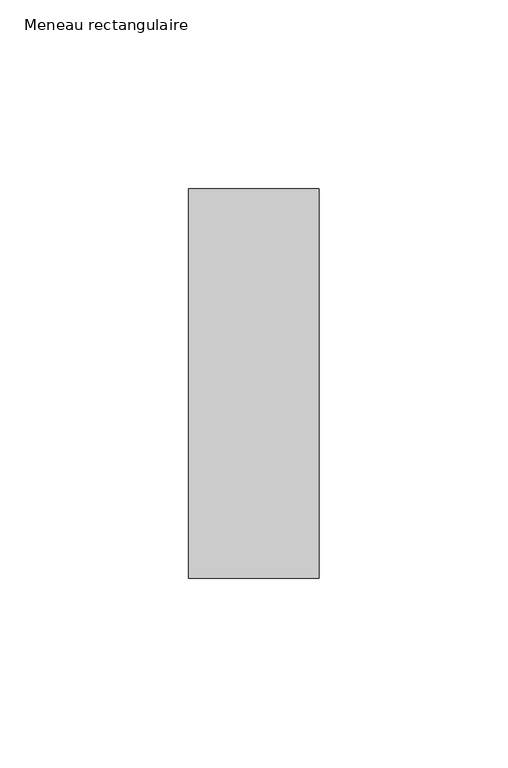
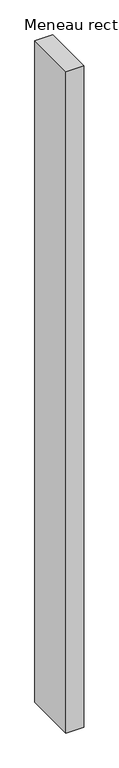
"""IFC4 building model written with IfcOpenShell, lengths in millimetres: member geometry, Meneau rectangulaire."""

from ifc_helpers import new_model, si_unit, frame, origin, place, context, project, spatial, polyline, outline, extrude, source, transform, mapped, element, save


def meneau_rectangulaire_0e6c0971(model_context):
    return source(origin(), model_context, "Body", "SweptSolid", [
        extrude(outline(polyline([(0.0, 51.5), (0.0, -51.5), (-34.5, -51.5), (-34.5, 51.5), (0.0, 51.5)])), frame((0.0, 0.0, -1341.6666669), z_axis=(0.0, 0.0, 1.0), x_axis=(1.0, 0.0, 0.0)), (0.0, 0.0, 1.0), 1341.6666669),
    ])


if __name__ == "__main__":
    model = new_model("IFC4")
    model_context = context("Model", 3, world=origin())
    ifc_project = project(units=[si_unit("LENGTHUNIT", "METRE", prefix="MILLI")], contexts=[model_context])
    site = spatial("IfcSite", under=ifc_project)
    building = spatial("IfcBuilding", under=site)
    placement = place(None, origin())
    meneau_rectangulaire_shape = meneau_rectangulaire_0e6c0971(model_context)
    element("IfcMember", 1, ObjectType="Meneau rectangulaire", at=placement, inside=building, context=model_context, shape_type="MappedRepresentation", body=[
        mapped(meneau_rectangulaire_shape, transform((0.0, 0.0, 0.0), x_axis=(1.0, 0.0, 0.0), y_axis=(0.0, 1.0, 0.0), z_axis=(0.0, 0.0, 1.0))),
    ])
    save(model, "model.ifc")
